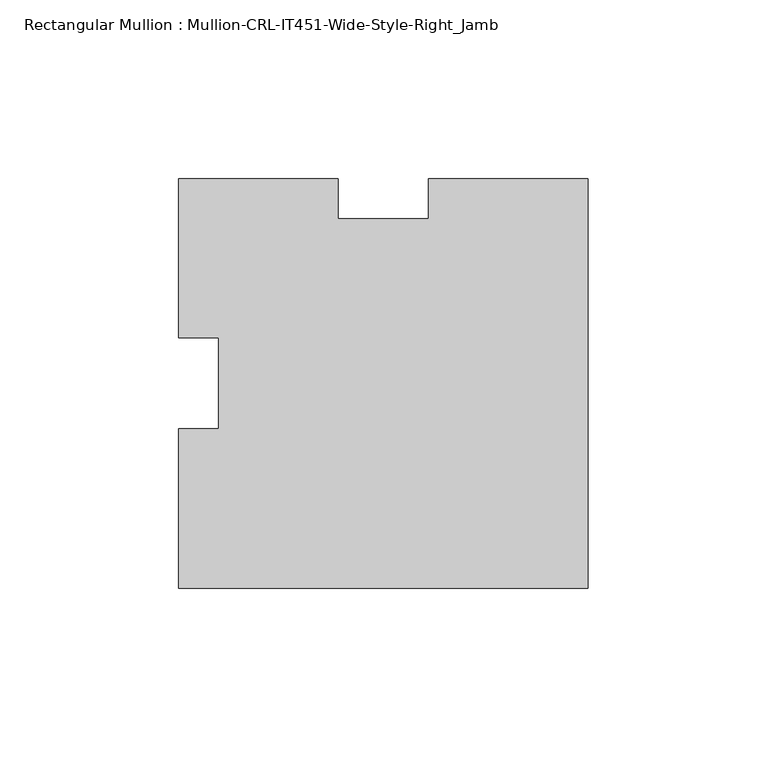
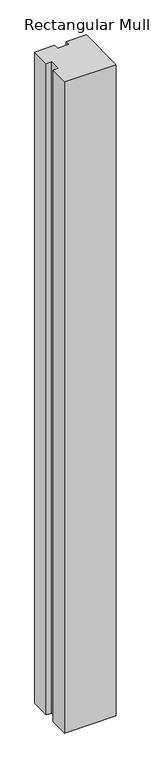
"""IFC4 building model written with IfcOpenShell, lengths in millimetres: member geometry, Rectangular Mullion : Mullion-CRL-IT451-Wide-Style-Right_Jamb."""

from ifc_helpers import new_model, si_unit, frame, origin, place, context, project, spatial, polyline, outline, extrude, source, transform, mapped, element, save


def rectangular_mullion_mullion_crl_it451_wide_style_right_jamb_8499553f(model_context):
    return source(origin(), model_context, "Body", "SweptSolid", [
        extrude(outline(polyline([(0.0, -57.15), (-114.3000484, -57.15), (-114.3000484, -12.7), (-103.1875484, -12.7), (-103.1875484, 12.7310704), (-114.3000484, 12.7310704), (-114.3000484, 57.15), (-69.8500011, 57.15), (-69.8500011, 46.0375011), (-44.4500011, 46.0375011), (-44.4500011, 57.15), (0.0, 57.15), (0.0, -57.15)])), frame((0.0, 0.0, -1524.0), z_axis=(0.0, 0.0, 1.0), x_axis=(1.0, 0.0, 0.0)), (0.0, 0.0, 1.0), 1524.0),
    ])


if __name__ == "__main__":
    model = new_model("IFC4")
    model_context = context("Model", 3, world=origin())
    ifc_project = project(units=[si_unit("LENGTHUNIT", "METRE", prefix="MILLI")], contexts=[model_context])
    site = spatial("IfcSite", under=ifc_project)
    building = spatial("IfcBuilding", under=site)
    placement = place(None, origin())
    rectangular_mullion_mullion_crl_it451_wide_style_right_jamb_shape = rectangular_mullion_mullion_crl_it451_wide_style_right_jamb_8499553f(model_context)
    element("IfcMember", 1, ObjectType="Rectangular Mullion : Mullion-CRL-IT451-Wide-Style-Right_Jamb", at=placement, inside=building, context=model_context, shape_type="MappedRepresentation", body=[
        mapped(rectangular_mullion_mullion_crl_it451_wide_style_right_jamb_shape, transform((0.0, 0.0, 0.0), x_axis=(1.0, 0.0, 0.0), y_axis=(0.0, 1.0, 0.0), z_axis=(0.0, 0.0, 1.0))),
    ])
    save(model, "model.ifc")
